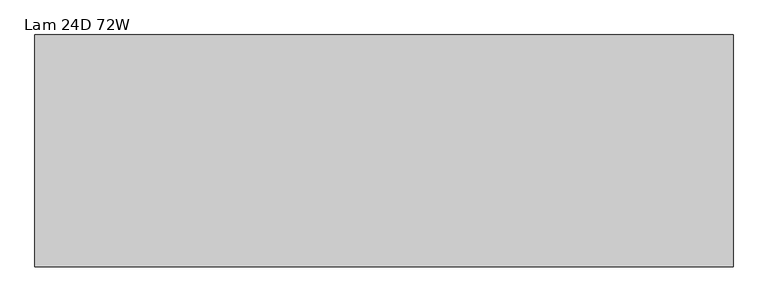
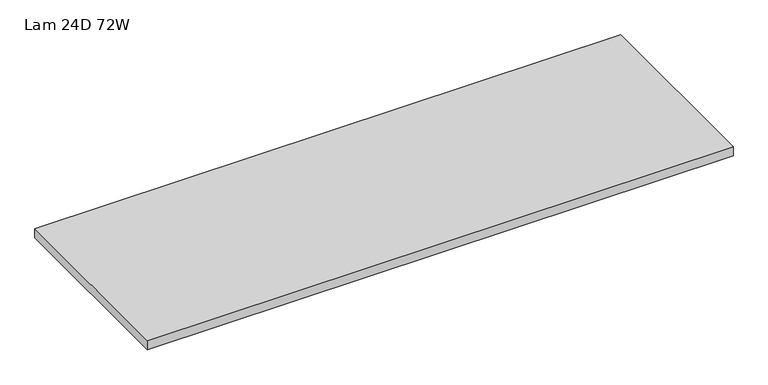
"""IFC4 building model written with IfcOpenShell, lengths in millimetres: furniture geometry, Lam 24D 72W."""

from ifc_helpers import new_model, si_unit, frame, origin, place, context, project, spatial, polyline, outline, extrude, source, transform, mapped, element, save


def lam_24d_72w_13f46936(model_context):
    return source(origin(), model_context, "Body", "SweptSolid", [
        extrude(outline(polyline([(1828.7999999, -3.0467299), (1828.7999999, -609.6), (3.1750001, -609.6), (3.1750001, -3.0467299), (1828.7999999, -3.0467299)])), frame((0.0, 0.0, 445.07912), z_axis=(0.0, 0.0, 1.0), x_axis=(1.0, 0.0, 0.0)), (0.0, 0.0, 1.0), 29.972),
    ])


if __name__ == "__main__":
    model = new_model("IFC4")
    model_context = context("Model", 3, world=origin())
    ifc_project = project(units=[si_unit("LENGTHUNIT", "METRE", prefix="MILLI")], contexts=[model_context])
    site = spatial("IfcSite", under=ifc_project)
    building = spatial("IfcBuilding", under=site)
    placement = place(None, origin())
    lam_24d_72w_shape = lam_24d_72w_13f46936(model_context)
    element("IfcFurniture", 1, ObjectType="Lam 24D 72W", at=placement, inside=building, context=model_context, shape_type="MappedRepresentation", body=[
        mapped(lam_24d_72w_shape, transform((0.0, 0.0, 0.0), x_axis=(1.0, 0.0, 0.0), y_axis=(0.0, 1.0, 0.0), z_axis=(0.0, 0.0, 1.0))),
    ])
    save(model, "model.ifc")
